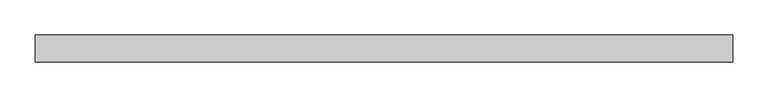
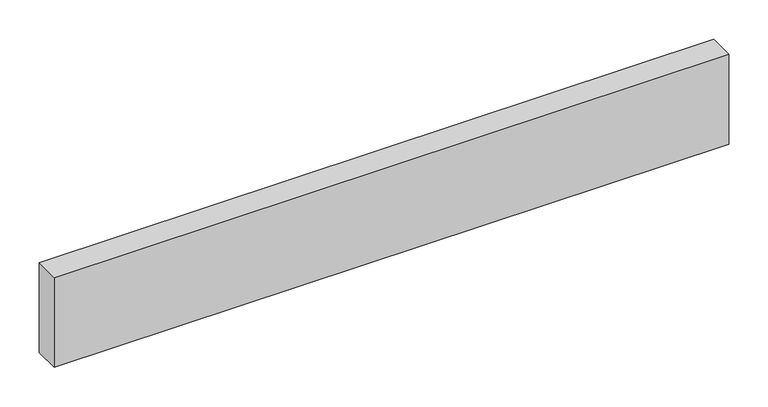
"""IFC4 building model written with IfcOpenShell, lengths in millimetres: beam geometry."""

from ifc_helpers import new_model, si_unit, frame, origin, place, context, project, spatial, polyline, outline, extrude, source, transform, mapped, element, save


def beam_0f266d4c(model_context):
    return source(origin(), model_context, "Body", "SweptSolid", [
        extrude(outline(polyline([(495.3, -19.05), (-495.3, -19.05), (-495.3, 19.05), (495.3, 19.05), (495.3, -19.05)])), frame((0.0, 0.0, -69.85), z_axis=(0.0, 0.0, 1.0), x_axis=(1.0, 0.0, 0.0)), (0.0, 0.0, 1.0), 139.7),
    ])


if __name__ == "__main__":
    model = new_model("IFC4")
    model_context = context("Model", 3, world=origin())
    ifc_project = project(units=[si_unit("LENGTHUNIT", "METRE", prefix="MILLI")], contexts=[model_context])
    site = spatial("IfcSite", under=ifc_project)
    building = spatial("IfcBuilding", under=site)
    placement = place(None, origin())
    beam_shape = beam_0f266d4c(model_context)
    element("IfcBeam", 1, at=placement, inside=building, context=model_context, shape_type="MappedRepresentation", body=[
        mapped(beam_shape, transform((0.0, 0.0, 0.0), x_axis=(1.0, 0.0, 0.0), y_axis=(0.0, 1.0, 0.0), z_axis=(0.0, 0.0, 1.0))),
    ])
    save(model, "model.ifc")
